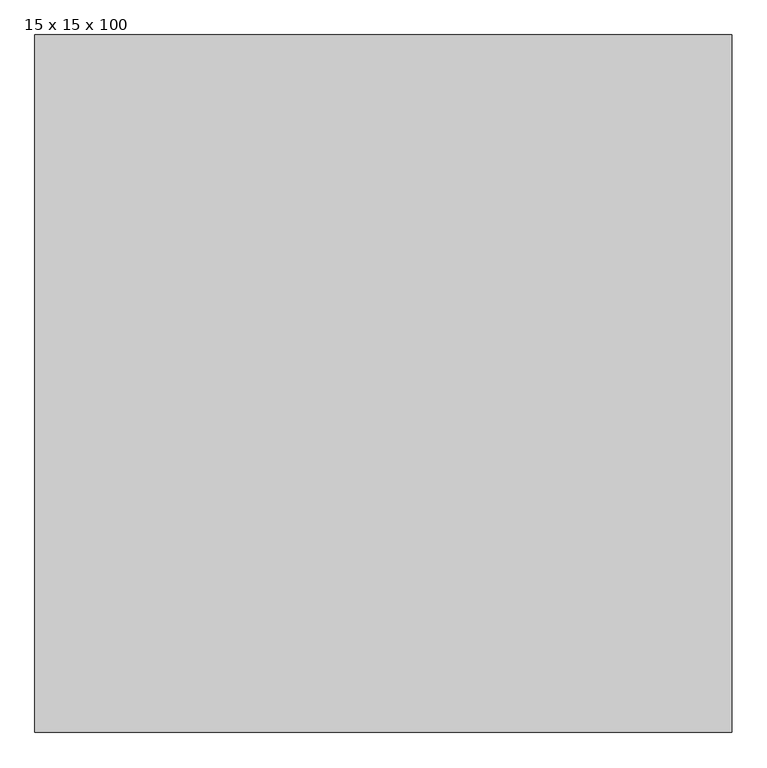
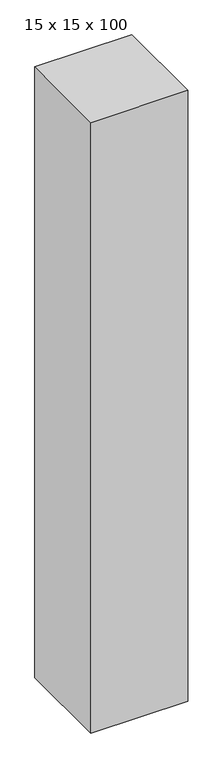
"""IFC4 building model written with IfcOpenShell, lengths in millimetres: proxy geometry, 15 x 15 x 100."""

import ifcopenshell
import ifcopenshell.guid

model = None  # the IFC model being written
_history = None  # IfcOwnerHistory: only IFC2X3 demands one
_inside = {}  # id of a spatial element -> (the spatial element, [elements in it])
_under = {}  # id of a project, library or spatial element -> (it, [spatial elements below it])
_declared = {}  # id of a project -> (the project, [libraries it declares])
_typed = {}  # id of a type object -> (the type object, [elements of that type])
_made_of = {}  # id of a material, layer set ... -> (it, [elements and type objects made of it])


def new_model(schema):
    """Start an empty IFC model of exactly this schema.

    Asked for "IFC4X3", IfcOpenShell would pick the latest addendum, in which some entities
    have other attributes; the version numbers below select the first issue.
    IFC2X3 requires an IfcOwnerHistory on every rooted entity: one is made here for all.
    """
    global model, _history
    if schema == "IFC4X3":
        model = ifcopenshell.file(schema_version=(4, 3, 0, 0))
    else:
        model = ifcopenshell.file(schema=schema)
    _inside.clear()
    _under.clear()
    _declared.clear()
    _typed.clear()
    _made_of.clear()
    _history = None
    if model.schema == "IFC2X3":
        org = make("IfcOrganization", Name="unknown")
        user = make(
            "IfcPersonAndOrganization",
            ThePerson=make("IfcPerson", FamilyName="unknown"),
            TheOrganization=org,
        )
        app = make(
            "IfcApplication",
            ApplicationDeveloper=org,
            Version="unknown",
            ApplicationFullName="unknown",
            ApplicationIdentifier="unknown",
        )
        _history = make(
            "IfcOwnerHistory",
            OwningUser=user,
            OwningApplication=app,
            ChangeAction="ADDED",
            CreationDate=0,
        )
    return model


def make(cls, **values):
    """One entity of the class cls with the attributes given. An attribute that is None is left unset."""
    return model.create_entity(
        cls, **{name: value for name, value in values.items() if value is not None}
    )


def rooted(cls, **values):
    """An entity with a GlobalId (a new one), such as an element, a storey or a relation."""
    return make(cls, GlobalId=ifcopenshell.guid.new(), OwnerHistory=_history, **values)


def si_unit(unit_type, name, prefix=None):
    """IfcSIUnit, for example si_unit("LENGTHUNIT", "METRE", prefix="MILLI")."""
    return make("IfcSIUnit", UnitType=unit_type, Prefix=prefix, Name=name)


def assignment(units):
    """IfcUnitAssignment: the units of a project."""
    return None if units is None else make("IfcUnitAssignment", Units=units)


def point(xyz):
    """IfcCartesianPoint."""
    return None if xyz is None else make("IfcCartesianPoint", Coordinates=xyz)


def direction(xyz):
    """IfcDirection."""
    return None if xyz is None else make("IfcDirection", DirectionRatios=xyz)


def frame(location, z_axis=None, x_axis=None):
    """IfcAxis2Placement3D, a coordinate frame: its origin and axes. An axis left out is left unset."""
    return make(
        "IfcAxis2Placement3D",
        Location=point(location),
        Axis=direction(z_axis),
        RefDirection=direction(x_axis),
    )


def origin():
    """The frame at (0, 0, 0) with its axes left unset."""
    return frame((0.0, 0.0, 0.0))


def origin_with_axes():
    """The frame at (0, 0, 0) with the z axis (0, 0, 1) and the x axis (1, 0, 0) written out."""
    return frame((0.0, 0.0, 0.0), z_axis=(0.0, 0.0, 1.0), x_axis=(1.0, 0.0, 0.0))


def place(relative_to, where):
    """IfcLocalPlacement: puts the frame where relative to a parent placement (None: the world)."""
    return make(
        "IfcLocalPlacement", PlacementRelTo=relative_to, RelativePlacement=where
    )


def context(
    kind, dimensions, precision=None, world=None, true_north=None, identifier=None
):
    """IfcGeometricRepresentationContext, for example the 3D "Model" context."""
    return make(
        "IfcGeometricRepresentationContext",
        ContextIdentifier=identifier,
        ContextType=kind,
        CoordinateSpaceDimension=dimensions,
        Precision=precision,
        WorldCoordinateSystem=world,
        TrueNorth=true_north,
    )


def project(units=None, contexts=None):
    """IfcProject with its units and contexts."""
    return rooted(
        "IfcProject",
        Name="project",
        RepresentationContexts=contexts,
        UnitsInContext=assignment(units),
    )


def spatial(cls, under=None, at=None, **own):
    """A site, building, storey or space (cls), placed at a placement, below another one or the project."""
    s = rooted(cls, ObjectPlacement=at, **own)
    if under is not None:
        _under.setdefault(under.id(), (under, []))[1].append(s)
    return s


def polyline(points):
    """IfcPolyline through the points."""
    return make("IfcPolyline", Points=[point(p) for p in points])


def outline(outer, holes=None, kind="AREA"):
    """IfcArbitraryClosedProfileDef: a profile drawn as a closed curve; with holes, ...WithVoids."""
    if holes is None:
        return make("IfcArbitraryClosedProfileDef", ProfileType=kind, OuterCurve=outer)
    return make(
        "IfcArbitraryProfileDefWithVoids",
        ProfileType=kind,
        OuterCurve=outer,
        InnerCurves=holes,
    )


def extrude(swept, where, along, depth):
    """IfcExtrudedAreaSolid: the profile swept, set in the frame where, extruded along a direction by depth."""
    return make(
        "IfcExtrudedAreaSolid",
        SweptArea=swept,
        Position=where,
        ExtrudedDirection=direction(along),
        Depth=depth,
    )


def shape(context_of_items, identifier, shape_type, items):
    """IfcShapeRepresentation: the items that make up one representation, for example the "Body"."""
    return make(
        "IfcShapeRepresentation",
        ContextOfItems=context_of_items,
        RepresentationIdentifier=identifier,
        RepresentationType=shape_type,
        Items=items,
    )


def source(mapping_origin, context_of_items, identifier, shape_type, items):
    """IfcRepresentationMap: a shape defined once, which mapped items show again and again."""
    return make(
        "IfcRepresentationMap",
        MappingOrigin=mapping_origin,
        MappedRepresentation=shape(context_of_items, identifier, shape_type, items),
    )


def transform(
    local_origin,
    x_axis=None,
    y_axis=None,
    z_axis=None,
    scale=None,
    scale2=None,
    scale3=None,
    uniform=True,
):
    """IfcCartesianTransformationOperator3D, or its non-uniform kind. x_axis, y_axis, z_axis: its Axis1, 2, 3."""
    if uniform:
        return make(
            "IfcCartesianTransformationOperator3D",
            Axis1=direction(x_axis),
            Axis2=direction(y_axis),
            LocalOrigin=point(local_origin),
            Scale=scale,
            Axis3=direction(z_axis),
        )
    return make(
        "IfcCartesianTransformationOperator3DnonUniform",
        Axis1=direction(x_axis),
        Axis2=direction(y_axis),
        LocalOrigin=point(local_origin),
        Scale=scale,
        Axis3=direction(z_axis),
        Scale2=scale2,
        Scale3=scale3,
    )


def mapped(mapping_source, mapping_target):
    """IfcMappedItem: shows the shape of a source again, moved by a transform."""
    return make(
        "IfcMappedItem", MappingSource=mapping_source, MappingTarget=mapping_target
    )


def made_of(thing, what):
    """Note that an element or type object is made of a material, layer set ...; save() writes the relation."""
    if what is not None:
        _made_of.setdefault(what.id(), (what, []))[1].append(thing)
    return thing


def element(
    cls,
    number,
    at=None,
    inside=None,
    cuts=None,
    type_object=None,
    material=None,
    context=None,
    identifier="Body",
    shape_type=None,
    held_by="IfcProductDefinitionShape",
    body=None,
    shapes=None,
    **own,
):
    """One element of the class cls, such as IfcWall. Its Tag is "e" and its number.

    at: its placement. inside: the storey or other place that contains it. cuts: it is an
    opening in that element (IfcRelVoidsElement). A single representation is given by context,
    identifier, shape_type and body (its items); several are given by shapes. held_by: the class
    of the entity that holds the representations. save() writes the other relations.
    """
    e = rooted(cls, Tag="e%d" % number, ObjectPlacement=at, **own)
    if body is not None:
        shapes = [shape(context, identifier, shape_type, body)]
    if shapes is not None:
        e.Representation = make(held_by, Representations=shapes)
    if inside is not None:
        _inside.setdefault(inside.id(), (inside, []))[1].append(e)
    if cuts is not None:
        rooted(
            "IfcRelVoidsElement", RelatingBuildingElement=cuts, RelatedOpeningElement=e
        )
    if type_object is not None:
        _typed.setdefault(type_object.id(), (type_object, []))[1].append(e)
    return made_of(e, material)


def aggregate(whole, parts):
    """IfcRelAggregates: a whole, such as a stair, and the parts it consists of."""
    return rooted("IfcRelAggregates", RelatingObject=whole, RelatedObjects=parts)


def save(model, path):
    """Write the relations noted so far, then the file.

    IfcRelAggregates (storeys below a building ...), IfcRelContainedInSpatialStructure (elements
    in a storey), IfcRelDefinesByType, IfcRelAssociatesMaterial and IfcRelDeclares: one each for
    every whole, place, type object, material and project.
    """
    for whole, parts in _under.values():
        aggregate(whole, parts)
    for where, things in _inside.values():
        rooted(
            "IfcRelContainedInSpatialStructure",
            RelatedElements=things,
            RelatingStructure=where,
        )
    for kind, things in _typed.values():
        rooted("IfcRelDefinesByType", RelatedObjects=things, RelatingType=kind)
    for what, things in _made_of.values():
        rooted("IfcRelAssociatesMaterial", RelatedObjects=things, RelatingMaterial=what)
    for by, libraries in _declared.values():
        rooted("IfcRelDeclares", RelatingContext=by, RelatedDefinitions=libraries)
    model.write(path)


def proxy_15_x_15_x_100_24c94d6c(model_context):
    return source(origin(), model_context, "Body", "SweptSolid", [
        extrude(outline(polyline([(15000.0, 0.0), (0.0, 0.0), (0.0, 15000.0), (15000.0, 15000.0), (15000.0, 0.0)])), origin_with_axes(), (0.0, 0.0, 1.0), 100000.0),
    ])


if __name__ == "__main__":
    model = new_model("IFC4")
    model_context = context("Model", 3, world=origin())
    ifc_project = project(units=[si_unit("LENGTHUNIT", "METRE", prefix="MILLI")], contexts=[model_context])
    site = spatial("IfcSite", under=ifc_project)
    building = spatial("IfcBuilding", under=site)
    placement = place(None, origin())
    proxy_15_x_15_x_100_shape = proxy_15_x_15_x_100_24c94d6c(model_context)
    element("IfcBuildingElementProxy", 1, Name="15 x 15 x 100", ObjectType="15 x 15 x 100", at=placement, inside=building, context=model_context, shape_type="MappedRepresentation", body=[
        mapped(proxy_15_x_15_x_100_shape, transform((0.0, 0.0, 0.0), x_axis=(1.0, 0.0, 0.0), y_axis=(0.0, 1.0, 0.0), z_axis=(0.0, 0.0, 1.0))),
    ])
    save(model, "model.ifc")
